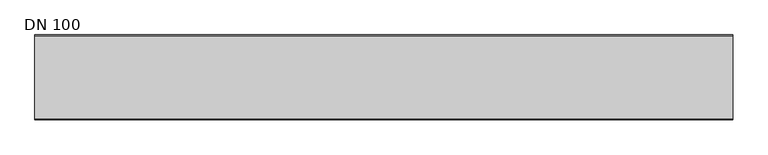
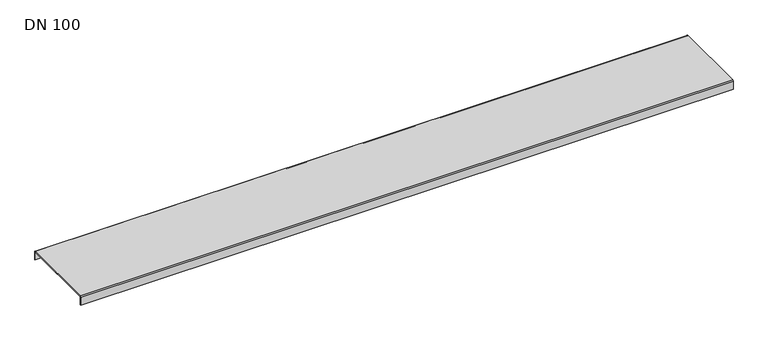
"""IFC4 building model written with IfcOpenShell, lengths in millimetres: sanitary terminal geometry, DN 100."""

from ifc_helpers import new_model, si_unit, point, frame, frame_2d, origin, place, context, project, spatial, polyline, circle_curve, trimmed, segment, composite_curve, outline, extrude, source, transform, mapped, element, save


def dn_100_4854fbbc(model_context):
    return source(origin(), model_context, "Body", "SweptSolid", [
        extrude(outline(composite_curve([segment(polyline([(121.5, -28.0), (119.5, -28.0), (119.5, -2.5)]), True, "CONTINUOUS"), segment(trimmed(circle_curve(frame_2d((119.0, -2.5)), 0.5), [point((119.5, -2.5))], [point((119.0, -2.0))], True, "CARTESIAN"), True, "CONTINUOUS"), segment(polyline([(119.0, -2.0), (-119.0, -2.0)]), True, "CONTINUOUS"), segment(trimmed(circle_curve(frame_2d((-119.0, -2.5)), 0.5), [point((-119.0, -2.0))], [point((-119.5, -2.5))], True, "CARTESIAN"), True, "CONTINUOUS"), segment(polyline([(-119.5, -2.5), (-119.5, -28.0), (-121.5, -28.0), (-121.5, -2.5)]), True, "CONTINUOUS"), segment(trimmed(circle_curve(frame_2d((-119.0, -2.5)), 2.5), [point((-121.5, -2.5))], [point((-119.0, 0.0))], False, "CARTESIAN"), True, "CONTINUOUS"), segment(polyline([(-119.0, 0.0), (119.0, 0.0)]), True, "CONTINUOUS"), segment(trimmed(circle_curve(frame_2d((119.0, -2.5)), 2.5), [point((119.0, 0.0))], [point((121.5, -2.5))], False, "CARTESIAN"), True, "CONTINUOUS"), segment(polyline([(121.5, -2.5), (121.5, -28.0)]), True, "CONTINUOUS")], self_intersect=False)), frame((0.0, 0.0, 0.0), z_axis=(1.0, 0.0, 0.0), x_axis=(0.0, 1.0, 0.0)), (0.0, 0.0, 1.0), 2000.0),
    ])


if __name__ == "__main__":
    model = new_model("IFC4")
    model_context = context("Model", 3, world=origin())
    ifc_project = project(units=[si_unit("LENGTHUNIT", "METRE", prefix="MILLI")], contexts=[model_context])
    site = spatial("IfcSite", under=ifc_project)
    building = spatial("IfcBuilding", under=site)
    placement = place(None, origin())
    dn_100_shape = dn_100_4854fbbc(model_context)
    element("IfcSanitaryTerminal", 1, ObjectType="DN 100", at=placement, inside=building, context=model_context, shape_type="MappedRepresentation", body=[
        mapped(dn_100_shape, transform((0.0, 0.0, 0.0), x_axis=(1.0, 0.0, 0.0), y_axis=(0.0, 1.0, 0.0), z_axis=(0.0, 0.0, 1.0))),
    ])
    save(model, "model.ifc")
